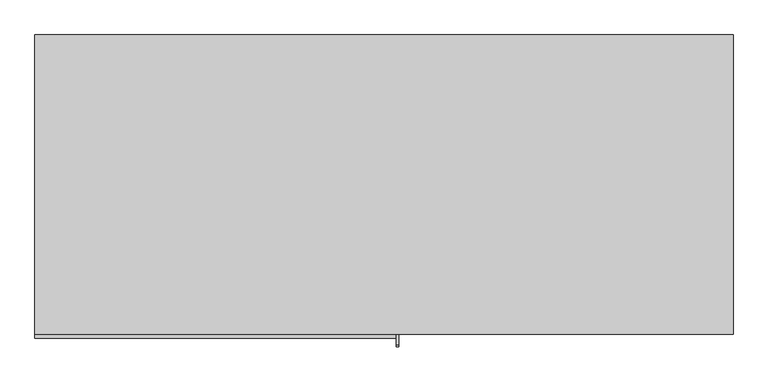
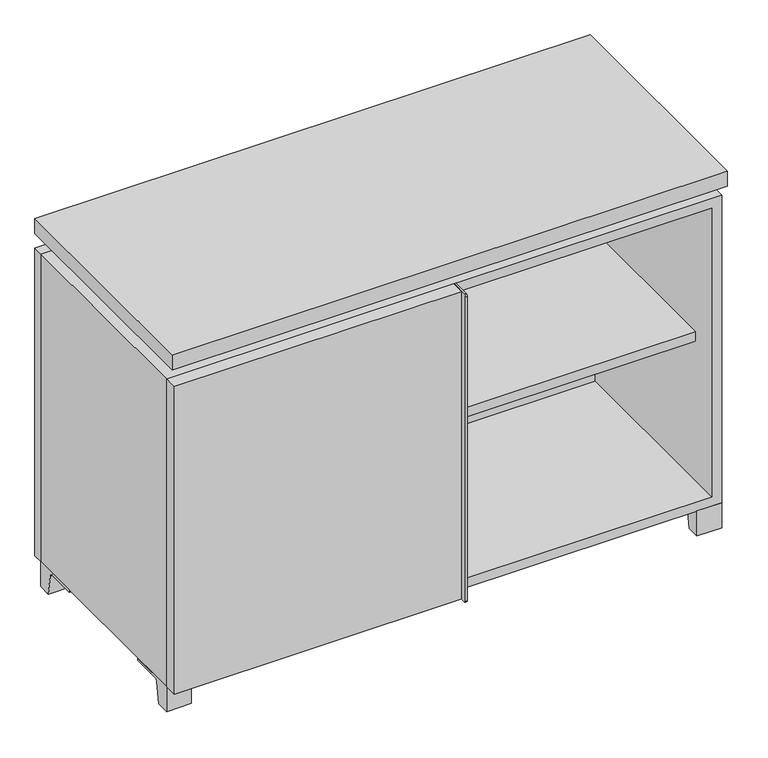
"""IFC4 building model written with IfcOpenShell, lengths in millimetres: furniture geometry."""

from ifc_helpers import new_model, si_unit, point, frame, frame_2d, origin, place, context, project, spatial, polyline, circle_curve, trimmed, segment, composite_curve, outline, extrude, faceted_brep, source, transform, mapped, element, save


def furniture_52434907(model_context):
    return source(origin(), model_context, "Body", "SolidModel", [
        extrude(outline(polyline([(9.5319453, 241.3), (514.3569453, 241.3), (514.3569453, -92.075), (9.5319453, -92.075), (9.5319453, 241.3)])), frame((0.0, 0.0, 354.0125), z_axis=(0.0, 0.0, 1.0), x_axis=(1.0, 0.0, 0.0)), (0.0, 0.0, 1.0), 19.05),
        extrude(outline(polyline([(-9.5041641, 241.3), (-9.5041641, -92.075), (-514.3291641, -92.075), (-514.3291641, 241.3), (-9.5041641, 241.3)])), frame((0.0, 0.0, 354.0125), z_axis=(0.0, 0.0, 1.0), x_axis=(1.0, 0.0, 0.0)), (0.0, 0.0, 1.0), 19.05),
        extrude(outline(polyline([(533.4138906, 292.1), (533.4138906, -165.1), (-533.3861094, -165.1), (-533.3861094, 292.1), (533.4138906, 292.1)])), frame((0.0, 0.0, 706.4375), z_axis=(0.0, 0.0, 1.0), x_axis=(1.0, 0.0, 0.0)), (0.0, 0.0, 1.0), 30.1625),
        extrude(outline(composite_curve([segment(polyline([(-146.05, 676.275), (-146.05, 50.8), (-180.975, 50.8)]), True, "CONTINUOUS"), segment(trimmed(circle_curve(frame_2d((-180.975, 53.975)), 3.175), [point((-180.975, 50.8))], [point((-184.15, 53.975))], False, "CARTESIAN"), True, "CONTINUOUS"), segment(polyline([(-184.15, 53.975), (-184.15, 673.1)]), True, "CONTINUOUS"), segment(trimmed(circle_curve(frame_2d((-180.975, 673.1)), 3.175), [point((-184.15, 673.1))], [point((-180.975, 676.275))], False, "CARTESIAN"), True, "CONTINUOUS"), segment(polyline([(-180.975, 676.275), (-146.05, 676.275)]), True, "CONTINUOUS")], self_intersect=False)), frame((19.0638906, 0.0, 0.0), z_axis=(1.0, 0.0, 0.0), x_axis=(0.0, 1.0, 0.0)), (0.0, 0.0, 1.0), 3.175),
        extrude(outline(polyline([(-533.3861094, -146.05), (19.0638906, -146.05), (19.0638906, -171.45), (-533.3861094, -171.45), (-533.3861094, -146.05)])), frame((0.0, 0.0, 50.8), z_axis=(0.0, 0.0, 1.0), x_axis=(1.0, 0.0, 0.0)), (0.0, 0.0, 1.0), 625.475),
        extrude(outline(composite_curve([segment(polyline([(-120.6500136, 0.0), (-146.05, 0.0), (-146.05, 50.8), (-50.8, 50.8), (-50.8, 46.0213321), (-107.6005345, 46.0213321)]), True, "CONTINUOUS"), segment(trimmed(circle_curve(frame_2d((-107.6005345, 39.6713321)), 6.35), [point((-107.6005345, 46.0213321))], [point((-113.8641359, 40.7152656))], True, "CARTESIAN"), True, "CONTINUOUS"), segment(polyline([(-113.8641359, 40.7152656), (-120.6500136, 0.0)]), True, "CONTINUOUS")], self_intersect=False)), frame((485.7888906, 0.0, 0.0), z_axis=(1.0, 0.0, 0.0), x_axis=(0.0, 1.0, 0.0)), (0.0, 0.0, 1.0), 47.625),
        extrude(outline(composite_curve([segment(polyline([(247.6500136, 0.0), (240.8641359, 40.7152656)]), True, "CONTINUOUS"), segment(trimmed(circle_curve(frame_2d((234.6005345, 39.6713321)), 6.35), [point((240.8641359, 40.7152656))], [point((234.6005345, 46.0213321))], True, "CARTESIAN"), True, "CONTINUOUS"), segment(polyline([(234.6005345, 46.0213321), (177.8, 46.0213321), (177.8, 50.8), (273.05, 50.8), (273.05, 0.0), (247.6500136, 0.0)]), True, "CONTINUOUS")], self_intersect=False)), frame((485.7888906, 0.0, 0.0), z_axis=(1.0, 0.0, 0.0), x_axis=(0.0, 1.0, 0.0)), (0.0, 0.0, 1.0), 47.625),
        extrude(outline(composite_curve([segment(polyline([(-120.6500136, 0.0), (-146.05, 0.0), (-146.05, 50.8), (-50.8, 50.8), (-50.8, 46.0213321), (-107.6005345, 46.0213321)]), True, "CONTINUOUS"), segment(trimmed(circle_curve(frame_2d((-107.6005345, 39.6713321)), 6.35), [point((-107.6005345, 46.0213321))], [point((-113.8641359, 40.7152656))], True, "CARTESIAN"), True, "CONTINUOUS"), segment(polyline([(-113.8641359, 40.7152656), (-120.6500136, 0.0)]), True, "CONTINUOUS")], self_intersect=False)), frame((-533.3861094, 0.0, 0.0), z_axis=(1.0, 0.0, 0.0), x_axis=(0.0, 1.0, 0.0)), (0.0, 0.0, 1.0), 47.625),
        extrude(outline(composite_curve([segment(polyline([(247.6500136, 0.0), (240.8641359, 40.7152656)]), True, "CONTINUOUS"), segment(trimmed(circle_curve(frame_2d((234.6005345, 39.6713321)), 6.35), [point((240.8641359, 40.7152656))], [point((234.6005345, 46.0213321))], True, "CARTESIAN"), True, "CONTINUOUS"), segment(polyline([(234.6005345, 46.0213321), (177.8, 46.0213321), (177.8, 50.8), (273.05, 50.8), (273.05, 0.0), (247.6500136, 0.0)]), True, "CONTINUOUS")], self_intersect=False)), frame((-533.3861094, 0.0, 0.0), z_axis=(1.0, 0.0, 0.0), x_axis=(0.0, 1.0, 0.0)), (0.0, 0.0, 1.0), 47.625),
        faceted_brep([(7.9513906, -120.65, 706.4375), (7.9513906, -120.65, 676.275), (7.9513906, 53.975, 676.275), (7.9513906, 53.975, 706.4375), (7.9513906, 247.65, 676.275), (7.9513906, 247.65, 706.4375), (7.9513906, 73.025, 706.4375), (7.9513906, 73.025, 676.275), (-7.9236094, 247.65, 706.4375), (-7.9236094, 247.65, 676.275), (-7.9236094, 73.025, 676.275), (-7.9236094, 73.025, 706.4375), (-7.9236094, -120.65, 676.275), (-7.9236094, -120.65, 706.4375), (-7.9236094, 53.975, 706.4375), (-7.9236094, 53.975, 676.275), (-492.0833281, 73.025, 706.4375), (-492.1041641, 247.65, 706.4375), (-507.9791641, 247.65, 706.4375), (-507.9791641, -120.65, 706.4375), (-492.1041641, -120.65, 706.4375), (-492.1041641, 53.975, 706.4375), (492.1111094, 53.975, 706.4375), (492.1111094, -120.65, 706.4375), (507.9861094, -120.65, 706.4375), (507.9861094, 247.65, 706.4375), (492.1111094, 247.65, 706.4375), (492.1111094, 73.025, 706.4375), (-492.0833281, 53.975, 676.275), (-492.1041641, -120.65, 676.275), (-507.9791641, -120.65, 676.275), (-507.9791641, 247.65, 676.275), (-492.1041641, 247.65, 676.275), (-492.1041641, 73.025, 676.275), (492.1111094, 73.025, 676.275), (492.1111094, 247.65, 676.275), (507.9861094, 247.65, 676.275), (507.9861094, -120.65, 676.275), (492.1111094, -120.65, 676.275), (492.1111094, 53.975, 676.275)], [[[0, 1, 2, 3]], [[4, 5, 6, 7]], [[8, 9, 10, 11]], [[12, 13, 14, 15]], [[5, 8, 11, 16, 17, 18, 19, 20, 21, 14, 13, 0, 3, 22, 23, 24, 25, 26, 27, 6]], [[1, 12, 15, 28, 29, 30, 31, 32, 33, 10, 9, 4, 7, 34, 35, 36, 37, 38, 39, 2]], [[5, 4, 9, 8]], [[1, 0, 13, 12]], [[6, 27, 34, 7]], [[22, 3, 2, 39]], [[20, 29, 28, 21]], [[32, 17, 16, 33]], [[18, 31, 30, 19]], [[29, 20, 19, 30]], [[17, 32, 31, 18]], [[26, 35, 34, 27]], [[38, 23, 22, 39]], [[25, 24, 37, 36]], [[23, 38, 37, 24]], [[35, 26, 25, 36]], [[16, 11, 10, 33]], [[14, 21, 28, 15]]]),
        extrude(outline(polyline([(9.5388906, 241.3), (9.5388906, -95.25), (-9.5111094, -95.25), (-9.5111094, 241.3), (9.5388906, 241.3)])), frame((0.0, 0.0, 69.85), z_axis=(0.0, 0.0, 1.0), x_axis=(1.0, 0.0, 0.0)), (0.0, 0.0, 1.0), 587.375),
        extrude(outline(polyline([(15.8888906, -88.9), (15.8888906, -146.05), (-9.5111094, -146.05), (-9.5111094, -120.65), (3.1888906, -120.65), (3.1888906, -88.9), (15.8888906, -88.9)])), frame((0.0, 0.0, 69.85), z_axis=(0.0, 0.0, 1.0), x_axis=(1.0, 0.0, 0.0)), (0.0, 0.0, 1.0), 587.375),
        extrude(outline(polyline([(533.4138906, 273.05), (-533.3861094, 273.05), (-533.3861094, 292.1), (533.4138906, 292.1), (533.4138906, 273.05)])), frame((0.0, 0.0, 50.8), z_axis=(0.0, 0.0, 1.0), x_axis=(1.0, 0.0, 0.0)), (0.0, 0.0, 1.0), 625.475),
        extrude(outline(polyline([(50.8, -533.3861094), (50.8, 533.4), (676.275, 533.4), (676.275, -533.3861094), (50.8, -533.3861094)]), holes=[polyline([(69.85, -514.3361094), (657.225, -514.3361094), (657.225, 514.3361094), (69.85, 514.3361094), (69.85, -514.3361094)])]), frame((0.0, -146.05, 0.0), z_axis=(0.0, 1.0, 0.0), x_axis=(0.0, 0.0, 1.0)), (0.0, 0.0, 1.0), 419.1),
        extrude(outline(polyline([(-514.3291641, 241.3), (-514.3291641, 247.65), (514.3569453, 247.65), (514.3569453, 241.3), (-514.3291641, 241.3)])), frame((0.0, 0.0, 69.85), z_axis=(0.0, 0.0, 1.0), x_axis=(1.0, 0.0, 0.0)), (0.0, 0.0, 1.0), 587.375),
    ])


if __name__ == "__main__":
    model = new_model("IFC4")
    model_context = context("Model", 3, world=origin())
    ifc_project = project(units=[si_unit("LENGTHUNIT", "METRE", prefix="MILLI")], contexts=[model_context])
    site = spatial("IfcSite", under=ifc_project)
    building = spatial("IfcBuilding", under=site)
    placement = place(None, origin())
    furniture_shape = furniture_52434907(model_context)
    element("IfcFurniture", 1, at=placement, inside=building, context=model_context, shape_type="MappedRepresentation", body=[
        mapped(furniture_shape, transform((0.0, 0.0, 0.0), x_axis=(1.0, 0.0, 0.0), y_axis=(0.0, 1.0, 0.0), z_axis=(0.0, 0.0, 1.0))),
    ])
    save(model, "model.ifc")
